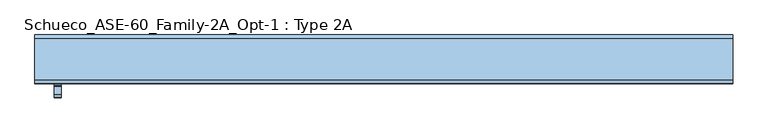
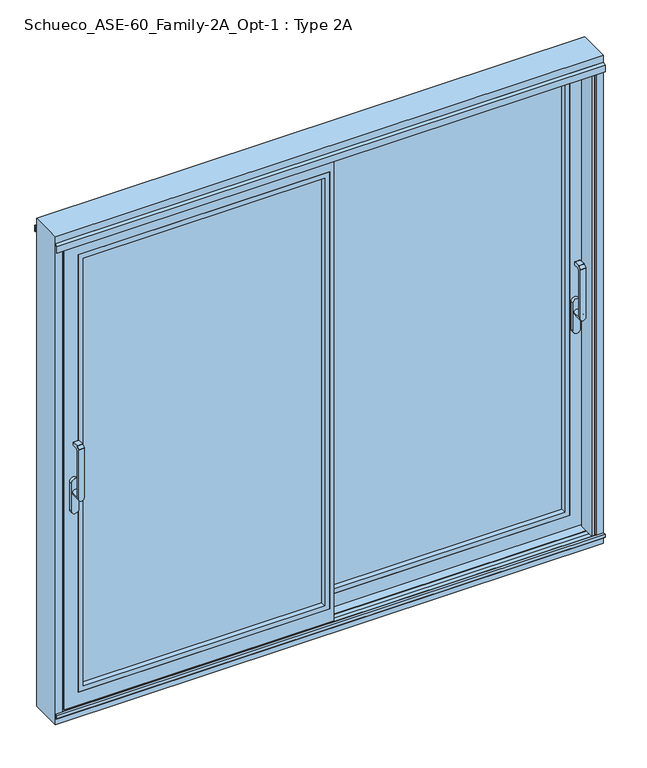
"""IFC4 building model written with IfcOpenShell, lengths in millimetres: window geometry, Schueco_ASE-60_Family-2A_Opt-1 : Type 2A."""

from ifc_helpers import new_model, si_unit, point, frame, frame_2d, origin, origin_with_axes, place, context, project, spatial, polyline, circle_curve, trimmed, segment, composite_curve, outline, extrude, faceted_brep, source, transform, mapped, element, save
from ifc_brep_helpers import plane_surface, cylinder_surface, revolved_surface, advanced_brep


def schueco_ase_60_family_2a_opt_1_type_2a_bca459c6(model_context):
    return source(origin(), model_context, "Body", "SolidModel", [
        advanced_brep(
        [(1099.75, -29.999944, 1214.6494011), (1123.75, -29.999944, 1214.6494011), (1123.75, -29.999944, 999.0), (1099.75, -29.999944, 999.005052), (1123.75, 6.000056, 999.005052), (1099.75, 6.000056, 999.005052), (1099.75, -41.4141576, 1225.6502145), (1123.75, -41.4141576, 1225.6502145), (1123.75, -30.6500975, 1236.4142746), (1099.75, -30.6500975, 1236.4142746), (1123.75, -41.999944, 999.0), (1123.75, -41.999944, 1224.2360009), (1099.75, -41.999944, 1224.2360009), (1099.75, -41.999944, 999.0), (1099.75, -29.2358839, 1237.000061), (1099.75, -1.999944, 1237.000061), (1099.75, 5.6e-05, 1235.000061), (1099.75, 5.6e-05, 1224.000061), (1099.75, -1.999944, 1222.000061), (1099.75, -22.649284, 1222.000061), (1123.75, -22.649284, 1222.000061), (1123.75, -1.999944, 1222.000061), (1123.75, 5.6e-05, 1224.000061), (1123.75, 5.6e-05, 1235.000061), (1123.75, -1.999944, 1237.000061), (1123.75, -29.2358839, 1237.000061)],
        [
            (0, 1),
            (1, 2),
            (2, 3, circle_curve(frame((1111.75, -29.999944, 999.005052), z_axis=(0.0, -1.0, 0.0), x_axis=(-1.0, 0.0, 0.0)), 12.0)),
            (3, 0),
            (4, 5, circle_curve(frame((1111.75, 6.000056, 999.005052), z_axis=(0.0, 1.0, 0.0), x_axis=(-1.0, 0.0, 0.0)), 12.0)),
            (5, 4, circle_curve(frame((1111.75, 6.000056, 999.005052), z_axis=(0.0, 1.0, 0.0), x_axis=(-1.0, 0.0, 0.0)), 12.0)),
            (6, 7),
            (7, 8),
            (8, 9),
            (9, 6),
            (10, 11),
            (11, 12),
            (12, 13),
            (13, 10, circle_curve(frame((1111.75, -41.999944, 999.005052), z_axis=(0.0, -1.0, 0.0), x_axis=(-1.0, 0.0, 0.0)), 12.0)),
            (13, 3),
            (3, 5),
            (4, 2),
            (2, 10),
            (12, 6, circle_curve(frame((1099.75, -39.999944, 1224.2360009), z_axis=(-1.0, 0.0, 0.0), x_axis=(0.0, 0.0, -1.0)), 2.0)),
            (9, 14, circle_curve(frame((1099.75, -29.2358839, 1235.000061), z_axis=(-1.0, 0.0, 0.0), x_axis=(0.0, 0.0, -1.0)), 2.0)),
            (14, 15),
            (15, 16, circle_curve(frame((1099.75, -1.999944, 1235.000061), z_axis=(-1.0, 0.0, 0.0), x_axis=(0.0, 0.0, -1.0)), 2.0)),
            (16, 17),
            (17, 18, circle_curve(frame((1099.75, -1.999944, 1224.000061), z_axis=(-1.0, 0.0, 0.0), x_axis=(0.0, 0.0, -1.0)), 2.0)),
            (18, 19),
            (19, 0, circle_curve(frame((1099.75, -22.649284, 1214.6494011), z_axis=(1.0, 0.0, 0.0), x_axis=(0.0, 0.0, -1.0)), 7.35066)),
            (1, 20, circle_curve(frame((1123.75, -22.649284, 1214.6494011), z_axis=(-1.0, 0.0, 0.0), x_axis=(0.0, 0.0, -1.0)), 7.35066)),
            (20, 21),
            (21, 22, circle_curve(frame((1123.75, -1.999944, 1224.000061), z_axis=(1.0, 0.0, 0.0), x_axis=(0.0, 0.0, -1.0)), 2.0)),
            (22, 23),
            (23, 24, circle_curve(frame((1123.75, -1.999944, 1235.000061), z_axis=(1.0, 0.0, 0.0), x_axis=(0.0, 0.0, -1.0)), 2.0)),
            (24, 25),
            (25, 8, circle_curve(frame((1123.75, -29.2358839, 1235.000061), z_axis=(1.0, 0.0, 0.0), x_axis=(0.0, 0.0, -1.0)), 2.0)),
            (7, 11, circle_curve(frame((1123.75, -39.999944, 1224.2360009), z_axis=(1.0, 0.0, 0.0), x_axis=(0.0, 0.0, -1.0)), 2.0)),
            (19, 20),
            (18, 21),
            (17, 22),
            (16, 23),
            (15, 24),
            (14, 25),
        ],
        [
            plane_surface(frame((1099.75, -29.999944, 999.0), z_axis=(0.0, 1.0, 0.0), x_axis=(1.0, 0.0, 0.0))),
            plane_surface(frame((1099.75, 6.000056, 999.005052), z_axis=(0.0, 1.0, 0.0), x_axis=(0.0, 0.0, -1.0))),
            plane_surface(frame((1099.75, -30.6500975, 1236.4142746), z_axis=(0.0, -0.7071067811865422, 0.7071067811865528), x_axis=(1.0, 0.0, 0.0))),
            plane_surface(frame((1099.75, -41.999944, 999.005052), z_axis=(0.0, -1.0, 0.0), x_axis=(0.0, 0.0, 1.0))),
            cylinder_surface(frame((1111.75, 6.000056, 999.005052), z_axis=(0.0, -1.0, 0.0), x_axis=(-1.0, 0.0, 0.0)), 12.0),
            plane_surface(frame((1099.75, -41.999944, 1004.7503433), z_axis=(-1.0, 0.0, 0.0), x_axis=(0.0, 0.0, -1.0))),
            plane_surface(frame((1123.75, -41.999944, 1004.7503433), z_axis=(1.0, 0.0, 0.0), x_axis=(0.0, 0.0, 1.0))),
            revolved_surface(polyline([(1123.75, -22.649284, 1207.2987411), (1099.75, -22.649284, 1207.2987411)]), (1123.75, -22.649284, 1214.6494011), (1.0, 0.0, 0.0)),
            plane_surface(frame((1099.75, -22.649284, 1222.000061), z_axis=(0.0, 0.0, -1.0), x_axis=(1.0, 0.0, 0.0))),
            cylinder_surface(frame((1123.75, -1.999944, 1224.000061), z_axis=(-1.0, 0.0, 0.0), x_axis=(0.0, 0.0, -1.0)), 2.0),
            plane_surface(frame((1099.75, 5.6e-05, 1224.000061), z_axis=(0.0, 1.0, 0.0), x_axis=(1.0, 0.0, 0.0))),
            cylinder_surface(frame((1123.75, -1.999944, 1235.000061), z_axis=(-1.0, 0.0, 0.0), x_axis=(0.0, 0.0, -1.0)), 2.0),
            plane_surface(frame((1099.75, -1.999944, 1237.000061), z_axis=(0.0, 0.0, 1.0), x_axis=(1.0, 0.0, 0.0))),
            cylinder_surface(frame((1123.75, -29.2358839, 1235.000061), z_axis=(-1.0, 0.0, 0.0), x_axis=(0.0, 0.0, -1.0)), 2.0),
            cylinder_surface(frame((1123.75, -39.999944, 1224.2360009), z_axis=(-1.0, 0.0, 0.0), x_axis=(0.0, 0.0, -1.0)), 2.0),
        ],
        [
            (0, [[1, 2, 3, 4]]),
            (1, [[5, 6]]),
            (2, [[7, 8, 9, 10]]),
            (3, [[11, 12, 13, 14]]),
            (4, [[15, 16, -5, 17, 18, -14]]),
            (4, [[-16, -3, -17, -6]]),
            (5, [[19, -10, 20, 21, 22, 23, 24, 25, 26, -4, -15, -13]]),
            (6, [[-11, -18, -2, 27, 28, 29, 30, 31, 32, 33, -8, 34]]),
            (7, [[35, -27, -1, -26]]),
            (8, [[36, -28, -35, -25]]),
            (9, [[37, -29, -36, -24]]),
            (10, [[38, -30, -37, -23]]),
            (11, [[39, -31, -38, -22]]),
            (12, [[40, -32, -39, -21]]),
            (13, [[-9, -33, -40, -20]]),
            (14, [[-12, -34, -7, -19]]),
        ],
    ),
        extrude(outline(composite_curve([segment(polyline([(917.2823932, 1128.5), (1044.0099288, 1128.5)]), True, "CONTINUOUS"), segment(trimmed(circle_curve(frame_2d((1044.0099288, 1111.75)), 16.75), [point((1044.0099288, 1128.5))], [point((1044.0099288, 1095.0))], False, "CARTESIAN"), True, "CONTINUOUS"), segment(polyline([(1044.0099288, 1095.0), (917.2823932, 1095.0)]), True, "CONTINUOUS"), segment(trimmed(circle_curve(frame_2d((917.2823932, 1111.75)), 16.75), [point((917.2823932, 1095.0))], [point((917.2823932, 1128.5))], False, "CARTESIAN"), True, "CONTINUOUS")], self_intersect=False)), frame((0.0, 6.000056, 0.0), z_axis=(0.0, 1.0, 0.0), x_axis=(0.0, 0.0, 1.0)), (0.0, 0.0, 1.0), 13.9999695),
        extrude(outline(polyline([(0.0, 20.0000255), (0.0, 4.0000255), (-20.0, 4.0000255), (-20.0, 20.0000255), (0.0, 20.0000255)])), frame((0.0, 0.0, 4.0), z_axis=(0.0, 0.0, 1.0), x_axis=(1.0, 0.0, 0.0)), (0.0, 0.0, 1.0), 2127.0),
        faceted_brep([(-20.0, 20.0000255, 2131.0), (1150.0, 20.0000255, 2131.0), (1150.0, 25.5000255, 2131.0), (-2.0, 25.5000255, 2131.0), (-2.0, 68.9999911, 2131.0), (20.0, 68.9999911, 2131.0), (20.0, 74.5000332, 2131.0), (1150.0017184, 74.5000332, 2131.0), (1150.0017184, 80.0, 2131.0), (-20.0, 80.0, 2131.0), (1068.0, 80.0, 86.0), (20.0, 80.0, 86.0), (20.0, 68.9999911, 86.0), (1068.0, 68.9999911, 86.0), (-2.0, 68.9999911, 64.0), (-2.0, 20.0000255, 64.0), (1090.0, 20.0000255, 64.0), (1090.0, 68.9999911, 64.0), (1150.0017184, 80.0, 4.0), (1150.0017184, 74.5000332, 4.0), (20.0, 74.5000332, 4.0), (20.0, 68.9999911, 4.0), (-2.0, 68.9999911, 4.0), (-2.0, 25.5000255, 4.0), (1150.0, 25.5000255, 4.0), (1150.0, 20.0000255, 4.0), (-20.0, 20.0000255, 4.0), (-20.0, 80.0, 4.0), (1068.0, 68.9999911, 2049.0), (20.0, 68.9999911, 2049.0), (20.0, 80.0, 2049.0), (1068.0, 80.0, 2049.0), (1090.0, 20.0000255, 2071.0), (-2.0, 20.0000255, 2071.0), (-2.0, 68.9999911, 2071.0), (1090.0, 68.9999911, 2071.0), (1120.0, 25.5000255, 34.0), (-2.0, 25.5000255, 34.0), (-2.0, 68.9999911, 34.0), (20.0, 68.9999911, 34.0), (20.0, 74.5000332, 34.0), (1120.0, 74.5000332, 34.0), (1120.0, 25.5000255, 2101.0), (1120.0, 74.5000332, 2101.0), (20.0, 74.5000332, 2101.0), (20.0, 68.9999911, 2101.0), (-2.0, 68.9999911, 2101.0), (-2.0, 25.5000255, 2101.0)], [[[0, 1, 2, 3, 4, 5, 6, 7, 8, 9]], [[10, 11, 12, 13]], [[14, 15, 16, 17]], [[18, 19, 20, 21, 22, 23, 24, 25, 26, 27]], [[1, 25, 24, 2]], [[28, 29, 30, 31]], [[32, 33, 34, 35]], [[36, 37, 38, 39, 40, 41]], [[31, 10, 13, 28]], [[35, 17, 16, 32]], [[42, 36, 41, 43]], [[7, 19, 18, 8]], [[43, 44, 45, 46, 47, 42]], [[9, 27, 26, 0]], [[26, 25, 1, 0], [32, 16, 15, 33]], [[8, 18, 27, 9], [10, 31, 30, 11]], [[30, 29, 12, 11]], [[5, 45, 44, 6]], [[20, 40, 39, 21]], [[35, 34, 14, 17], [13, 12, 29, 28]], [[21, 39, 38, 22]], [[4, 46, 45, 5]], [[34, 33, 15, 14]], [[22, 38, 37, 23]], [[3, 47, 46, 4]], [[24, 23, 37, 36, 42, 47, 3, 2]], [[41, 40, 20, 19, 7, 6, 44, 43]]]),
        extrude(outline(polyline([(64.0, -2.0), (64.0, 1090.0), (2071.0, 1090.0), (2071.0, -2.0), (64.0, -2.0)]), holes=[polyline([(86.012649, 20.012649), (2048.987351, 20.012649), (2048.987351, 1067.987351), (86.012649, 1067.987351), (86.012649, 20.012649)])]), frame((0.0, 20.0000255, 0.0), z_axis=(0.0, 1.0, 0.0), x_axis=(0.0, 0.0, 1.0)), (0.0, 0.0, 1.0), 22.9999656),
        extrude(outline(polyline([(1090.0, 68.9999911), (1090.0, 42.9999911), (-2.0, 42.9999911), (-2.0, 68.9999911), (1090.0, 68.9999911)])), frame((0.0, 0.0, 64.0), z_axis=(0.0, 0.0, 1.0), x_axis=(1.0, 0.0, 0.0)), (0.0, 0.0, 1.0), 2007.0),
        advanced_brep(
        [(-1099.75, -109.9999695, 1214.6494011), (-1099.75, -109.9999695, 999.0), (-1123.75, -109.9999695, 999.005052), (-1123.75, -109.9999695, 1214.6494011), (-1123.75, -73.9999695, 999.005052), (-1099.75, -73.9999695, 999.005052), (-1099.75, -121.414183, 1225.6502145), (-1099.75, -110.6501229, 1236.4142746), (-1123.75, -110.6501229, 1236.4142746), (-1123.75, -121.414183, 1225.6502145), (-1123.75, -121.9999695, 999.005052), (-1099.75, -121.9999695, 999.005052), (-1099.75, -121.9999695, 1224.2360009), (-1123.75, -121.9999695, 1224.2360009), (-1099.75, -102.6493095, 1222.000061), (-1099.75, -81.9999695, 1222.000061), (-1099.75, -79.9999695, 1224.000061), (-1099.75, -79.9999695, 1235.000061), (-1099.75, -81.9999695, 1237.000061), (-1099.75, -109.2359094, 1237.000061), (-1123.75, -109.2359094, 1237.000061), (-1123.75, -81.9999695, 1237.000061), (-1123.75, -79.9999695, 1235.000061), (-1123.75, -79.9999695, 1224.000061), (-1123.75, -81.9999695, 1222.000061), (-1123.75, -102.6493095, 1222.000061)],
        [
            (0, 1),
            (1, 2, circle_curve(frame((-1111.75, -109.9999695, 999.005052), z_axis=(0.0, -1.0, 0.0), x_axis=(1.0, 0.0, 0.0)), 12.0)),
            (2, 3),
            (3, 0),
            (4, 5, circle_curve(frame((-1111.75, -73.9999695, 999.005052), z_axis=(0.0, 1.0, 0.0), x_axis=(1.0, 0.0, 0.0)), 12.0)),
            (5, 4, circle_curve(frame((-1111.75, -73.9999695, 999.005052), z_axis=(0.0, 1.0, 0.0), x_axis=(1.0, 0.0, 0.0)), 12.0)),
            (6, 7),
            (7, 8),
            (8, 9),
            (9, 6),
            (10, 11, circle_curve(frame((-1111.75, -121.9999695, 999.005052), z_axis=(0.0, -1.0, 0.0), x_axis=(1.0, 0.0, 0.0)), 12.0)),
            (11, 12),
            (12, 13),
            (13, 10),
            (10, 2),
            (2, 4),
            (5, 1),
            (1, 11),
            (0, 14, circle_curve(frame((-1099.75, -102.6493095, 1214.6494011), z_axis=(-1.0, 0.0, 0.0), x_axis=(0.0, 0.0, -1.0)), 7.35066)),
            (14, 15),
            (15, 16, circle_curve(frame((-1099.75, -81.9999695, 1224.000061), z_axis=(1.0, 0.0, 0.0), x_axis=(0.0, 0.0, -1.0)), 2.0)),
            (16, 17),
            (17, 18, circle_curve(frame((-1099.75, -81.9999695, 1235.000061), z_axis=(1.0, 0.0, 0.0), x_axis=(0.0, 0.0, -1.0)), 2.0)),
            (18, 19),
            (19, 7, circle_curve(frame((-1099.75, -109.2359094, 1235.000061), z_axis=(1.0, 0.0, 0.0), x_axis=(0.0, 0.0, -1.0)), 2.0)),
            (6, 12, circle_curve(frame((-1099.75, -119.9999695, 1224.2360009), z_axis=(1.0, 0.0, 0.0), x_axis=(0.0, 0.0, -1.0)), 2.0)),
            (13, 9, circle_curve(frame((-1123.75, -119.9999695, 1224.2360009), z_axis=(-1.0, 0.0, 0.0), x_axis=(0.0, 0.0, -1.0)), 2.0)),
            (8, 20, circle_curve(frame((-1123.75, -109.2359094, 1235.000061), z_axis=(-1.0, 0.0, 0.0), x_axis=(0.0, 0.0, -1.0)), 2.0)),
            (20, 21),
            (21, 22, circle_curve(frame((-1123.75, -81.9999695, 1235.000061), z_axis=(-1.0, 0.0, 0.0), x_axis=(0.0, 0.0, -1.0)), 2.0)),
            (22, 23),
            (23, 24, circle_curve(frame((-1123.75, -81.9999695, 1224.000061), z_axis=(-1.0, 0.0, 0.0), x_axis=(0.0, 0.0, -1.0)), 2.0)),
            (24, 25),
            (25, 3, circle_curve(frame((-1123.75, -102.6493095, 1214.6494011), z_axis=(1.0, 0.0, 0.0), x_axis=(0.0, 0.0, -1.0)), 7.35066)),
            (25, 14),
            (24, 15),
            (23, 16),
            (22, 17),
            (21, 18),
            (20, 19),
        ],
        [
            plane_surface(frame((-1099.75, -109.9999695, 999.0), z_axis=(0.0, 1.0, 0.0), x_axis=(-1.0, 0.0, 0.0))),
            plane_surface(frame((-1099.75, -73.9999695, 999.005052), z_axis=(0.0, 1.0, 0.0), x_axis=(0.0, 0.0, -1.0))),
            plane_surface(frame((-1099.75, -110.6501229, 1236.4142746), z_axis=(0.0, -0.7071067811865422, 0.7071067811865528), x_axis=(-1.0, 0.0, 0.0))),
            plane_surface(frame((-1099.75, -121.9999695, 999.005052), z_axis=(0.0, -1.0, 0.0), x_axis=(0.0, 0.0, 1.0))),
            cylinder_surface(frame((-1111.75, -73.9999695, 999.005052), z_axis=(0.0, -1.0, 0.0), x_axis=(1.0, 0.0, 0.0)), 12.0),
            plane_surface(frame((-1099.75, -121.9999695, 1004.7503433), z_axis=(1.0, 0.0, 0.0), x_axis=(0.0, 0.0, -1.0))),
            plane_surface(frame((-1123.75, -121.9999695, 1004.7503433), z_axis=(-1.0, 0.0, 0.0), x_axis=(0.0, 0.0, 1.0))),
            revolved_surface(polyline([(-1123.75, -102.6493095, 1207.2987411), (-1099.75, -102.6493095, 1207.2987411)]), (-1123.75, -102.6493095, 1214.6494011), (-1.0, 0.0, 0.0)),
            plane_surface(frame((-1099.75, -102.6493095, 1222.000061), z_axis=(0.0, 0.0, -1.0), x_axis=(-1.0, 0.0, 0.0))),
            cylinder_surface(frame((-1123.75, -81.9999695, 1224.000061), z_axis=(1.0, 0.0, 0.0), x_axis=(0.0, 0.0, -1.0)), 2.0),
            plane_surface(frame((-1099.75, -79.9999695, 1224.000061), z_axis=(0.0, 1.0, 0.0), x_axis=(-1.0, 0.0, 0.0))),
            cylinder_surface(frame((-1123.75, -81.9999695, 1235.000061), z_axis=(1.0, 0.0, 0.0), x_axis=(0.0, 0.0, -1.0)), 2.0),
            plane_surface(frame((-1099.75, -81.9999695, 1237.000061), z_axis=(0.0, 0.0, 1.0), x_axis=(-1.0, 0.0, 0.0))),
            cylinder_surface(frame((-1123.75, -109.2359094, 1235.000061), z_axis=(1.0, 0.0, 0.0), x_axis=(0.0, 0.0, -1.0)), 2.0),
            cylinder_surface(frame((-1123.75, -119.9999695, 1224.2360009), z_axis=(1.0, 0.0, 0.0), x_axis=(0.0, 0.0, -1.0)), 2.0),
        ],
        [
            (0, [[1, 2, 3, 4]]),
            (1, [[5, 6]]),
            (2, [[7, 8, 9, 10]]),
            (3, [[11, 12, 13, 14]]),
            (4, [[-11, 15, 16, -6, 17, 18]]),
            (4, [[-5, -16, -2, -17]]),
            (5, [[-12, -18, -1, 19, 20, 21, 22, 23, 24, 25, -7, 26]]),
            (6, [[27, -9, 28, 29, 30, 31, 32, 33, 34, -3, -15, -14]]),
            (7, [[-19, -4, -34, 35]]),
            (8, [[-20, -35, -33, 36]]),
            (9, [[-21, -36, -32, 37]]),
            (10, [[-22, -37, -31, 38]]),
            (11, [[-23, -38, -30, 39]]),
            (12, [[-24, -39, -29, 40]]),
            (13, [[-25, -40, -28, -8]]),
            (14, [[-26, -10, -27, -13]]),
        ],
    ),
        extrude(outline(composite_curve([segment(trimmed(circle_curve(frame_2d((917.2823932, -1111.75)), 16.75), [point((917.2823932, -1128.5))], [point((917.2823932, -1095.0))], False, "CARTESIAN"), True, "CONTINUOUS"), segment(polyline([(917.2823932, -1095.0), (1044.0099288, -1095.0)]), True, "CONTINUOUS"), segment(trimmed(circle_curve(frame_2d((1044.0099288, -1111.75)), 16.75), [point((1044.0099288, -1095.0))], [point((1044.0099288, -1128.5))], False, "CARTESIAN"), True, "CONTINUOUS"), segment(polyline([(1044.0099288, -1128.5), (917.2823932, -1128.5)]), True, "CONTINUOUS")], self_intersect=False)), frame((0.0, -73.9999695, 0.0), z_axis=(0.0, 1.0, 0.0), x_axis=(0.0, 0.0, 1.0)), (0.0, 0.0, 1.0), 13.9999695),
        extrude(outline(polyline([(0.0, -2.55e-05), (0.0, 15.9999745), (20.0, 15.9999745), (20.0, -2.55e-05), (0.0, -2.55e-05)])), frame((0.0, 0.0, 4.0), z_axis=(0.0, 0.0, 1.0), x_axis=(1.0, 0.0, 0.0)), (0.0, 0.0, 1.0), 2127.0),
        faceted_brep([(20.0, -60.0, 2131.0), (20.0, -2.55e-05, 2131.0), (-1150.0017184, -2.55e-05, 2131.0), (-1150.0017184, -5.4999923, 2131.0), (-20.0, -5.4999923, 2131.0), (-20.0, -11.0000344, 2131.0), (2.0, -11.0000344, 2131.0), (2.0, -54.5, 2131.0), (-1150.0, -54.5, 2131.0), (-1150.0, -60.0, 2131.0), (-1068.0, -2.55e-05, 86.0), (-1068.0, -11.0000344, 86.0), (-20.0, -11.0000344, 86.0), (-20.0, -2.55e-05, 86.0), (2.0, -11.0000344, 64.0), (-1090.0, -11.0000344, 64.0), (-1090.0, -60.0, 64.0), (2.0, -60.0, 64.0), (-1150.0017184, -2.55e-05, 4.0), (20.0, -2.55e-05, 4.0), (20.0, -60.0, 4.0), (-1150.0, -60.0, 4.0), (-1150.0, -54.5, 4.0), (2.0, -54.5, 4.0), (2.0, -11.0000344, 4.0), (-20.0, -11.0000344, 4.0), (-20.0, -5.4999923, 4.0), (-1150.0017184, -5.4999923, 4.0), (-1068.0, -11.0000344, 2049.0), (-1068.0, -2.55e-05, 2049.0), (-20.0, -2.55e-05, 2049.0), (-20.0, -11.0000344, 2049.0), (-1090.0, -60.0, 2071.0), (-1090.0, -11.0000344, 2071.0), (2.0, -11.0000344, 2071.0), (2.0, -60.0, 2071.0), (-1120.0, -54.5, 34.0), (-1120.0, -5.4999923, 34.0), (-20.0, -5.4999923, 34.0), (-20.0, -11.0000344, 34.0), (2.0, -11.0000344, 34.0), (2.0, -54.5, 34.0), (-1120.0, -54.5, 2101.0), (-1120.0, -5.4999923, 2101.0), (2.0, -54.5, 2101.0), (2.0, -11.0000344, 2101.0), (-20.0, -11.0000344, 2101.0), (-20.0, -5.4999923, 2101.0)], [[[0, 1, 2, 3, 4, 5, 6, 7, 8, 9]], [[10, 11, 12, 13]], [[14, 15, 16, 17]], [[18, 19, 20, 21, 22, 23, 24, 25, 26, 27]], [[9, 8, 22, 21]], [[28, 29, 30, 31]], [[32, 33, 34, 35]], [[36, 37, 38, 39, 40, 41]], [[29, 28, 11, 10]], [[33, 32, 16, 15]], [[42, 43, 37, 36]], [[3, 2, 18, 27]], [[43, 42, 44, 45, 46, 47]], [[1, 0, 20, 19]], [[20, 0, 9, 21], [32, 35, 17, 16]], [[2, 1, 19, 18], [10, 13, 30, 29]], [[5, 4, 47, 46]], [[26, 25, 39, 38]], [[30, 13, 12, 31]], [[6, 5, 46, 45]], [[25, 24, 40, 39]], [[33, 15, 14, 34], [11, 28, 31, 12]], [[7, 6, 45, 44]], [[24, 23, 41, 40]], [[34, 14, 17, 35]], [[22, 8, 7, 44, 42, 36, 41, 23]], [[37, 43, 47, 4, 3, 27, 26, 38]]]),
        extrude(outline(polyline([(64.0, 2.0), (2071.0, 2.0), (2071.0, -1090.0), (64.0, -1090.0), (64.0, 2.0)]), holes=[polyline([(86.012649, -20.012649), (86.012649, -1067.987351), (2048.987351, -1067.987351), (2048.987351, -20.012649), (86.012649, -20.012649)])]), frame((0.0, -60.0, 0.0), z_axis=(0.0, 1.0, 0.0), x_axis=(0.0, 0.0, 1.0)), (0.0, 0.0, 1.0), 22.9999656),
        extrude(outline(polyline([(-1090.0, -11.0000344), (2.0, -11.0000344), (2.0, -37.0000344), (-1090.0, -37.0000344), (-1090.0, -11.0000344)])), frame((0.0, 0.0, 64.0), z_axis=(0.0, 0.0, 1.0), x_axis=(1.0, 0.0, 0.0)), (0.0, 0.0, 1.0), 2007.0),
        extrude(outline(polyline([(-1139.0, 5.0), (-1158.0007202, 5.0), (-1158.0007202, 9.0), (-1142.0, 9.0), (-1142.0, 68.2882381), (-1150.0, 71.2), (-1150.0, 80.0), (-1139.0, 80.0), (-1139.0, 5.0)])), origin_with_axes(), (0.0, 0.0, 1.0), 2157.5),
        extrude(outline(polyline([(1139.0, 15.0), (1158.0007202, 15.0), (1158.0007202, 11.0), (1142.0, 11.0), (1142.0, -48.2882381), (1150.0, -51.2), (1150.0, -60.0), (1139.0, -60.0), (1139.0, 15.0)])), origin_with_axes(), (0.0, 0.0, 1.0), 2157.5),
        faceted_brep([(1190.0, 80.0, -51.0), (1190.0, -60.0, -51.0), (-1190.0, -60.0, -51.0), (-1190.0, 80.0, -51.0), (1190.0, 80.0, 2190.0), (1190.0, -60.0, 2190.0), (-1190.0, -60.0, 2190.0), (-1158.0, -60.0, -19.0), (-1158.0, -60.0, 2157.5), (1158.0, -60.0, 2157.5), (1158.0, -60.0, -19.0), (-1190.0, 80.0, 2190.0), (-1158.0, -51.2000255, -19.0), (-1158.0, -51.2000255, 2157.5), (1158.0, -51.2000255, 2157.5), (1158.0, -51.2000255, -19.0), (1142.0, -11.7120495, -3.0), (1142.0, -48.2882636, -3.0), (1142.0, -48.2882636, 2122.0), (1142.0, -11.7120495, 2122.0), (1142.0, -11.7120495, 2155.2007202), (1142.0, -11.7120495, 2130.9120495), (1142.0, -15.8, 2135.0), (1142.0, -15.8, 2155.2007202), (1142.0, -48.2882636, 2130.9117364), (1142.0, -48.2882636, 2142.0), (1142.0, -44.2, 2142.0), (1142.0, -44.2, 2135.0), (-1142.0, -11.7120245, -3.0), (-1142.0, -48.2882386, -3.0), (1150.0, -51.2000255, -11.00007), (1150.0, -51.2000255, 2150.0), (1146.7029571, -50.0, 2129.2), (1146.7029571, -50.0, 2122.0), (1150.0007202, -8.8000255, -11.0006502), (1146.7038173, -10.0, 2122.0), (1146.7038173, -10.0, 2129.2), (1150.0007202, -8.8000255, 2155.2007202), (-1150.0, -51.2000255, -11.00007), (-1150.0, -51.2000255, 2150.0), (-1141.9999998, -48.2882635, 2122.0), (-1146.7029571, -50.0, 2122.0), (-1146.7029571, -50.0, 2129.2), (-1141.9999996, -48.2882635, 2130.9117365), (-1141.9999998, -48.2882635, 2142.0), (-1150.0007202, -8.8000255, -11.0006502), (1158.0007202, -8.8000255, 2155.2007202), (1158.0007202, -8.8000255, -19.0007202), (-1158.0007202, -8.8000255, -19.0007202), (-1158.0007202, -8.8000255, 2155.2007202), (-1150.0007202, -8.8000255, 2155.2007202), (1158.0007202, 28.7999745, -19.0007202), (1158.0007202, 28.7999745, 2155.2007202), (-1158.0007202, 28.7999745, -19.0007202), (-1158.0007202, 28.7999745, 2155.2007202), (-1142.0000001, -11.7120494, 2155.2007202), (-1142.0000002, -11.7120494, 2130.9120494), (-1146.7038173, -10.0, 2129.2), (-1146.7038173, -10.0, 2122.0), (-1142.0000003, -11.7120494, 2122.0), (1150.0007202, 28.7999745, -11.0007902), (-1150.0007202, 28.7999745, -11.0007902), (-1150.0007202, 28.7999745, 2155.2007202), (1150.0007202, 28.7999745, 2155.2007202), (1141.9999672, 31.7120105, -3.0000372), (-1141.9999314, 31.7120239, -3.0000002), (-1141.9999979, 31.7119993, 2122.0), (-1146.7036773, 30.0, 2122.0), (-1146.7036773, 30.0, 2129.2), (-1141.9999982, 31.7119992, 2130.9119992), (-1141.9999989, 31.7119989, 2155.2007202), (1142.0, 31.7119985, 2155.2007202), (1142.0, 31.7119985, 2130.9119985), (1146.7036773, 30.0, 2129.2), (1146.7036773, 30.0, 2122.0), (1142.0, 31.7119985, 2122.0), (1142.0, 35.8, 2155.2007202), (1142.0, 35.8, 2135.0), (1142.0, 68.2882381, -3.0), (1142.0, 68.2882381, 2122.0), (1142.0, 68.2882381, 2142.0), (1142.0, 68.2882381, 2130.9117619), (1142.0, 64.2, 2135.0), (1142.0, 64.2, 2142.0), (-1142.0, 68.2882381, -3.0), (1150.0, 71.2, -11.0), (1146.7030271, 70.0, 2122.0), (1146.7030271, 70.0, 2129.2), (1150.0, 71.2, 2150.0), (-1150.0, 71.2, -11.0), (1158.0, 71.2, -19.0), (-1158.0, 71.2, -19.0), (-1158.0, 71.2, 2157.5), (1158.0, 71.2, 2157.5), (-1150.0, 71.2, 2150.0), (-1142.0, 68.2882381, 2142.0), (-1142.0, 68.2882381, 2130.9117619), (-1146.7030271, 70.0, 2129.2), (-1146.7030271, 70.0, 2122.0), (-1142.0, 68.2882381, 2122.0), (1158.0, 80.0, -19.0), (-1158.0, 80.0, -19.0), (-1158.0, 80.0, 2157.5), (1158.0, 80.0, 2157.5), (-1142.0, 64.2, 2142.0), (-1142.0, 64.2, 2135.0), (-1142.0, 35.8, 2135.0), (-1142.0, 35.8, 2155.2007202), (-1142.0, -15.8, 2155.2007202), (-1142.0, -15.8, 2135.0), (-1142.0, -44.2, 2135.0), (-1142.0, -44.2, 2142.0)], [[[0, 1, 2, 3]], [[0, 4, 5, 1]], [[5, 6, 2, 1], [7, 8, 9, 10]], [[11, 3, 2, 6]], [[7, 12, 13, 8]], [[14, 15, 10, 9]], [[10, 15, 12, 7]], [[16, 17, 18, 19]], [[20, 21, 22, 23]], [[24, 25, 26, 27]], [[17, 16, 28, 29]], [[17, 30, 31, 25, 24, 32, 33, 18]], [[34, 16, 19, 35, 36, 21, 20, 37]], [[12, 15, 14, 13], [30, 38, 39, 31]], [[30, 17, 29, 38]], [[38, 29, 40, 41, 42, 43, 44, 39]], [[16, 34, 45, 28]], [[45, 34, 37, 46, 47, 48, 49, 50]], [[51, 47, 46, 52]], [[47, 51, 53, 48]], [[48, 53, 54, 49]], [[28, 45, 50, 55, 56, 57, 58, 59]], [[60, 61, 62, 54, 53, 51, 52, 63]], [[60, 64, 65, 61]], [[61, 65, 66, 67, 68, 69, 70, 62]], [[64, 60, 63, 71, 72, 73, 74, 75]], [[72, 71, 76, 77]], [[78, 64, 75, 79]], [[80, 81, 82, 83]], [[64, 78, 84, 65]], [[85, 78, 79, 86, 87, 81, 80, 88]], [[78, 85, 89, 84]], [[90, 91, 92, 93], [89, 85, 88, 94]], [[84, 89, 94, 95, 96, 97, 98, 99]], [[90, 100, 101, 91]], [[92, 91, 101, 102]], [[100, 90, 93, 103]], [[65, 84, 99, 66]], [[96, 95, 104, 105]], [[70, 69, 106, 107]], [[29, 28, 59, 40]], [[56, 55, 108, 109]], [[44, 43, 110, 111]], [[5, 4, 11, 6]], [[9, 8, 13, 14]], [[58, 35, 19, 18, 33, 41, 40, 59]], [[109, 22, 21, 36, 57, 56]], [[108, 23, 22, 109]], [[107, 76, 71, 63, 52, 46, 37, 20, 23, 108, 55, 50, 49, 54, 62, 70]], [[25, 44, 111, 26]], [[110, 27, 26, 111]], [[42, 32, 24, 27, 110, 43]], [[44, 25, 31, 39]], [[41, 33, 32, 42]], [[57, 36, 35, 58]], [[68, 73, 72, 77, 106, 69]], [[67, 74, 73, 68]], [[98, 86, 79, 75, 74, 67, 66, 99]], [[106, 77, 76, 107]], [[105, 82, 81, 87, 97, 96]], [[104, 83, 82, 105]], [[95, 80, 83, 104]], [[97, 87, 86, 98]], [[94, 88, 80, 95]], [[93, 92, 102, 103]], [[11, 4, 0, 3], [100, 103, 102, 101]]]),
        extrude(outline(polyline([(-73.0, -2.0), (-60.0, -2.0), (-60.0, -21.8), (-66.4, -21.8), (-73.0, -15.2), (-73.0, -2.0)])), frame((-1190.0, 0.0, 0.0), z_axis=(1.0, 0.0, 0.0), x_axis=(0.0, 1.0, 0.0)), (0.0, 0.0, 1.0), 2380.0),
        extrude(outline(polyline([(-51.2000255, 2150.5), (-68.5243789, 2150.5), (-71.0000233, 2149.0706861), (-71.0000233, 2121.5), (-72.6000233, 2121.5), (-72.6000233, 2150.225198), (-59.9996967, 2157.5), (-51.2000255, 2157.5), (-51.2000255, 2150.5)])), frame((-1190.0, 0.0, 0.0), z_axis=(1.0, 0.0, 0.0), x_axis=(0.0, 1.0, 0.0)), (0.0, 0.0, 1.0), 2380.0),
        extrude(outline(polyline([(71.2000255, 2150.5), (71.2000255, 2157.5), (79.9996967, 2157.5), (92.6000233, 2150.225198), (92.6000233, 2121.5), (91.0000233, 2121.5), (91.0000233, 2149.0706861), (88.5243789, 2150.5), (71.2000255, 2150.5)])), frame((-1190.0, 0.0, 0.0), z_axis=(1.0, 0.0, 0.0), x_axis=(0.0, 1.0, 0.0)), (0.0, 0.0, 1.0), 2380.0),
        extrude(outline(polyline([(28.7999745, -11.0007902), (28.7999745, -19.0007202), (-8.8000255, -19.0007202), (-8.8000255, -11.0006502), (-11.7120375, -2.9999628), (-18.0, -2.9999628), (-18.0, 0.0), (38.0002751, 0.0), (38.0002751, -3.0), (31.712024, -3.0), (28.7999745, -11.0007902)])), frame((-1158.0007202, 0.0, 0.0), z_axis=(1.0, 0.0, 0.0), x_axis=(0.0, 1.0, 0.0)), (0.0, 0.0, 1.0), 2316.0014404),
        extrude(outline(polyline([(80.0, -11.0), (71.2, -11.0), (68.2882381, -3.0), (62.0002751, -3.0), (62.0002751, 0.0), (80.0, 0.0), (80.0, -11.0)])), frame((-1158.0007202, 0.0, 0.0), z_axis=(1.0, 0.0, 0.0), x_axis=(0.0, 1.0, 0.0)), (0.0, 0.0, 1.0), 2316.0014404),
        extrude(outline(polyline([(-48.2882246, -2.9999628), (-51.2000255, -11.00007), (-51.2000255, -19.0007202), (-60.0, -19.0007202), (-60.0, 0.0), (-42.0, 0.0), (-42.0, -2.9999628), (-48.2882246, -2.9999628)])), frame((-1158.0007202, 0.0, 0.0), z_axis=(1.0, 0.0, 0.0), x_axis=(0.0, 1.0, 0.0)), (0.0, 0.0, 1.0), 2316.0014404),
    ])


if __name__ == "__main__":
    model = new_model("IFC4")
    model_context = context("Model", 3, world=origin())
    ifc_project = project(units=[si_unit("LENGTHUNIT", "METRE", prefix="MILLI")], contexts=[model_context])
    site = spatial("IfcSite", under=ifc_project)
    building = spatial("IfcBuilding", under=site)
    placement = place(None, origin())
    schueco_ase_60_family_2a_opt_1_type_2a_shape = schueco_ase_60_family_2a_opt_1_type_2a_bca459c6(model_context)
    element("IfcWindow", 1, ObjectType="Schueco_ASE-60_Family-2A_Opt-1 : Type 2A", at=placement, inside=building, context=model_context, shape_type="MappedRepresentation", body=[
        mapped(schueco_ase_60_family_2a_opt_1_type_2a_shape, transform((0.0, 0.0, 0.0), x_axis=(1.0, 0.0, 0.0), y_axis=(0.0, 1.0, 0.0), z_axis=(0.0, 0.0, 1.0))),
    ])
    save(model, "model.ifc")
